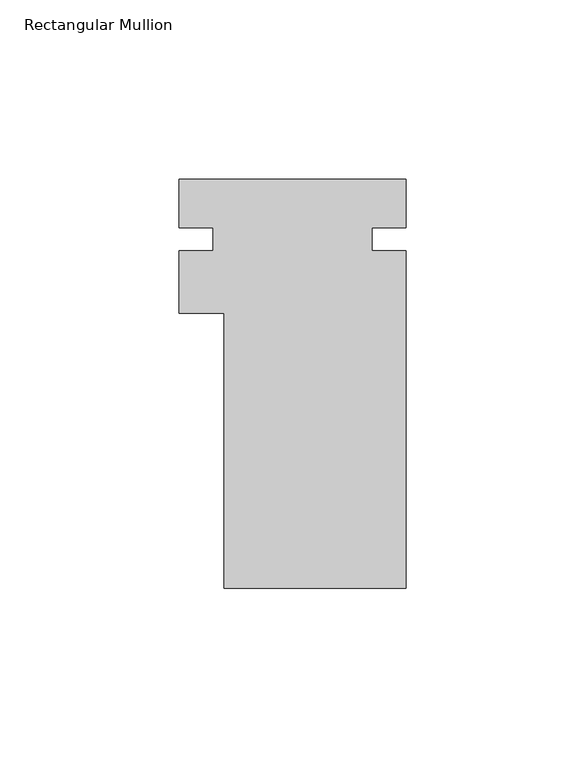
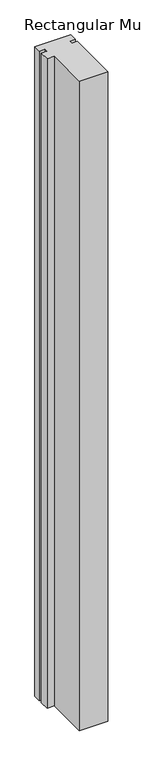
"""IFC4 building model written with IfcOpenShell, lengths in millimetres: member geometry, Rectangular Mullion."""

from ifc_helpers import new_model, si_unit, frame, origin, place, context, project, spatial, polyline, outline, extrude, source, transform, mapped, element, save


def rectangular_mullion_0eb059a0(model_context):
    return source(origin(), model_context, "Body", "SweptSolid", [
        extrude(outline(polyline([(25.4, -39.773225), (-25.4, -39.773225), (-25.4, 37.061775), (-38.0999959, 37.061775), (-38.0999959, 54.524275), (-28.5749959, 54.524275), (-28.5749959, 60.874275), (-38.0999959, 60.874275), (-38.0999959, 74.526775), (25.4, 74.526775), (25.4, 60.874275), (15.875, 60.874275), (15.875, 54.524275), (25.4, 54.524275), (25.4, -39.773225)])), frame((0.0, 0.0, -1219.2), z_axis=(0.0, 0.0, 1.0), x_axis=(1.0, 0.0, 0.0)), (0.0, 0.0, 1.0), 1219.2),
    ])


if __name__ == "__main__":
    model = new_model("IFC4")
    model_context = context("Model", 3, world=origin())
    ifc_project = project(units=[si_unit("LENGTHUNIT", "METRE", prefix="MILLI")], contexts=[model_context])
    site = spatial("IfcSite", under=ifc_project)
    building = spatial("IfcBuilding", under=site)
    placement = place(None, origin())
    rectangular_mullion_shape = rectangular_mullion_0eb059a0(model_context)
    element("IfcMember", 1, ObjectType="Rectangular Mullion", at=placement, inside=building, context=model_context, shape_type="MappedRepresentation", body=[
        mapped(rectangular_mullion_shape, transform((0.0, 0.0, 0.0), x_axis=(1.0, 0.0, 0.0), y_axis=(0.0, 1.0, 0.0), z_axis=(0.0, 0.0, 1.0))),
    ])
    save(model, "model.ifc")
